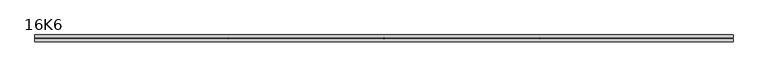
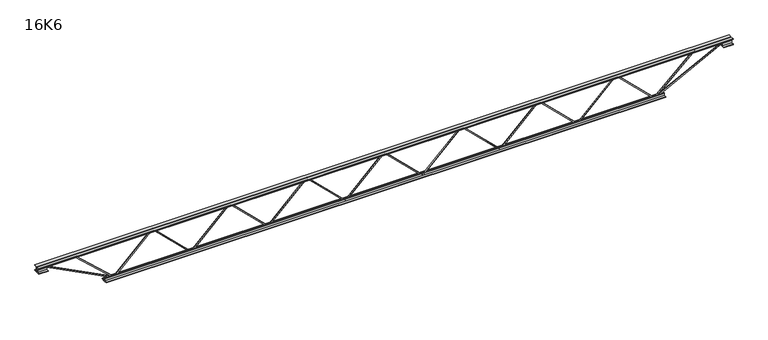
"""IFC4 building model written with IfcOpenShell, lengths in millimetres: beam geometry, 16K6."""

from ifc_helpers import new_model, si_unit, frame, origin, place, context, project, spatial, polyline, outline, extrude, source, transform, mapped, element, save


def beam_16k6_102b434a(model_context):
    return source(origin(), model_context, "Body", "SweptSolid", [
        extrude(outline(polyline([(-191.9, 1227.7380952), (-201.4, 1227.7380952), (-201.4, 1232.8467773), (191.9, 1635.8539201), (191.9, 1638.3365561), (-201.4, 2041.3436989), (-201.4, 2046.452381), (-191.9, 2046.452381), (-191.9, 2045.211063), (201.4, 1642.2039201), (201.4, 1631.9865561), (-191.9, 1228.9794132), (-191.9, 1227.7380952)])), frame((0.0, -4.75, 0.0), z_axis=(0.0, 1.0, 0.0), x_axis=(0.0, 0.0, 1.0)), (0.0, 0.0, 1.0), 9.5),
        extrude(outline(polyline([(-191.9, 409.1904762), (-201.4, 409.1904762), (-201.4, 414.2991582), (191.9, 817.3063011), (191.9, 819.788937), (-201.4, 1222.7960799), (-201.4, 1227.9047619), (-191.9, 1227.9047619), (-191.9, 1226.6634439), (201.4, 823.6563011), (201.4, 813.438937), (-191.9, 410.4317942), (-191.9, 409.1904762)])), frame((0.0, -4.75, 0.0), z_axis=(0.0, 1.0, 0.0), x_axis=(0.0, 0.0, 1.0)), (0.0, 0.0, 1.0), 9.5),
        extrude(outline(polyline([(-191.9, -409.3571429), (-201.4, -409.3571429), (-201.4, -404.2484608), (191.9, -1.241318), (191.9, 1.241318), (-201.4, 404.2484608), (-201.4, 409.3571429), (-191.9, 409.3571429), (-191.9, 408.1158249), (201.4, 5.108682), (201.4, -5.108682), (-191.9, -408.1158249), (-191.9, -409.3571429)])), frame((0.0, -4.75, 0.0), z_axis=(0.0, 1.0, 0.0), x_axis=(0.0, 0.0, 1.0)), (0.0, 0.0, 1.0), 9.5),
        extrude(outline(polyline([(-191.9, -1227.9047619), (-201.4, -1227.9047619), (-201.4, -1222.7960799), (191.9, -819.788937), (191.9, -817.3063011), (-201.4, -414.2991582), (-201.4, -409.1904762), (-191.9, -409.1904762), (-191.9, -410.4317942), (201.4, -813.438937), (201.4, -823.6563011), (-191.9, -1226.6634439), (-191.9, -1227.9047619)])), frame((0.0, -4.75, 0.0), z_axis=(0.0, 1.0, 0.0), x_axis=(0.0, 0.0, 1.0)), (0.0, 0.0, 1.0), 9.5),
        extrude(outline(polyline([(-191.9, -2046.452381), (-201.4, -2046.452381), (-201.4, -2041.3436989), (191.9, -1638.3365561), (191.9, -1635.8539201), (-201.4, -1232.8467773), (-201.4, -1227.7380952), (-191.9, -1227.7380952), (-191.9, -1228.9794132), (201.4, -1631.9865561), (201.4, -1642.2039201), (-191.9, -2045.211063), (-191.9, -2046.452381)])), frame((0.0, -4.75, 0.0), z_axis=(0.0, 1.0, 0.0), x_axis=(0.0, 0.0, 1.0)), (0.0, 0.0, 1.0), 9.5),
        extrude(outline(polyline([(-191.9, 2046.2857143), (-201.4, 2046.2857143), (-201.4, 2051.3943963), (191.9, 2454.4015392), (191.9, 2456.8841751), (-201.4, 2859.891318), (-201.4, 2865.0), (-191.9, 2865.0), (-191.9, 2863.758682), (201.4, 2460.7515392), (201.4, 2450.5341751), (-191.9, 2047.5270322), (-191.9, 2046.2857143)])), frame((0.0, -4.75, 0.0), z_axis=(0.0, 1.0, 0.0), x_axis=(0.0, 0.0, 1.0)), (0.0, 0.0, 1.0), 9.5),
        extrude(outline(polyline([(-191.9, -2865.0), (-201.4, -2865.0), (-201.4, -2859.891318), (191.9, -2456.8841751), (191.9, -2454.4015392), (-201.4, -2051.3943963), (-201.4, -2046.2857143), (-191.9, -2046.2857143), (-191.9, -2047.5270322), (201.4, -2450.5341751), (201.4, -2460.7515392), (-191.9, -2863.758682), (-191.9, -2865.0)])), frame((0.0, -4.75, 0.0), z_axis=(0.0, 1.0, 0.0), x_axis=(0.0, 0.0, 1.0)), (0.0, 0.0, 1.0), 9.5),
        extrude(outline(polyline([(4.75, 203.0), (36.75, 203.0), (36.75, 196.5), (11.25, 196.5), (11.25, 171.0), (4.75, 171.0), (4.75, 203.0)])), frame((-3677.0, 0.0, 0.0), z_axis=(1.0, 0.0, 0.0), x_axis=(0.0, 1.0, 0.0)), (0.0, 0.0, 1.0), 7354.0),
        extrude(outline(polyline([(-4.75, 203.0), (-4.75, 171.0), (-11.25, 171.0), (-11.25, 196.5), (-36.75, 196.5), (-36.75, 203.0), (-4.75, 203.0)])), frame((-3677.0, 0.0, 0.0), z_axis=(1.0, 0.0, 0.0), x_axis=(0.0, 1.0, 0.0)), (0.0, 0.0, 1.0), 7354.0),
        extrude(outline(polyline([(-4.75, 139.5), (-36.75, 139.5), (-36.75, 146.0), (-11.25, 146.0), (-11.25, 171.0), (-4.75, 171.0), (-4.75, 139.5)])), frame((-3677.0, 0.0, 0.0), z_axis=(1.0, 0.0, 0.0), x_axis=(0.0, 1.0, 0.0)), (0.0, 0.0, 1.0), 100.0),
        extrude(outline(polyline([(36.75, 139.5), (4.75, 139.5), (4.75, 171.0), (11.25, 171.0), (11.25, 146.0), (36.75, 146.0), (36.75, 139.5)])), frame((-3677.0, 0.0, 0.0), z_axis=(1.0, 0.0, 0.0), x_axis=(0.0, 1.0, 0.0)), (0.0, 0.0, 1.0), 100.0),
        extrude(outline(polyline([(4.75, 139.5), (4.75, 171.0), (11.25, 171.0), (11.25, 146.0), (36.75, 146.0), (36.75, 139.5), (4.75, 139.5)])), frame((3577.0, 0.0, 0.0), z_axis=(1.0, 0.0, 0.0), x_axis=(0.0, 1.0, 0.0)), (0.0, 0.0, 1.0), 100.0),
        extrude(outline(polyline([(-4.75, 139.5), (-36.75, 139.5), (-36.75, 146.0), (-11.25, 146.0), (-11.25, 171.0), (-4.75, 171.0), (-4.75, 139.5)])), frame((3577.0, 0.0, 0.0), z_axis=(1.0, 0.0, 0.0), x_axis=(0.0, 1.0, 0.0)), (0.0, 0.0, 1.0), 100.0),
        extrude(outline(polyline([(4.75, -203.0), (4.75, -171.0), (11.25, -171.0), (11.25, -196.5), (36.75, -196.5), (36.75, -203.0), (4.75, -203.0)])), frame((-2965.0, 0.0, 0.0), z_axis=(1.0, 0.0, 0.0), x_axis=(0.0, 1.0, 0.0)), (0.0, 0.0, 1.0), 5930.0),
        extrude(outline(polyline([(-4.75, -203.0), (-36.75, -203.0), (-36.75, -196.5), (-11.25, -196.5), (-11.25, -171.0), (-4.75, -171.0), (-4.75, -203.0)])), frame((-2965.0, 0.0, 0.0), z_axis=(1.0, 0.0, 0.0), x_axis=(0.0, 1.0, 0.0)), (0.0, 0.0, 1.0), 5930.0),
        extrude(outline(polyline([(-200.8705467, -2867.1793315), (-192.4294533, -2862.8206685), (175.75, -3575.8460208), (175.75, -3677.0), (166.25, -3677.0), (166.25, -3578.1539792), (-200.8705467, -2867.1793315)])), frame((0.0, -4.75, 0.0), z_axis=(0.0, 1.0, 0.0), x_axis=(0.0, 0.0, 1.0)), (0.0, 0.0, 1.0), 9.5),
        extrude(outline(polyline([(188.7, -3294.3142857), (179.2, -3294.3142857), (179.2, -3283.4573289), (-200.156913, -2868.2037574), (-193.143087, -2861.7962426), (188.7, -3279.7712425), (188.7, -3294.3142857)])), frame((0.0, -4.75, 0.0), z_axis=(0.0, 1.0, 0.0), x_axis=(0.0, 0.0, 1.0)), (0.0, 0.0, 1.0), 9.5),
        extrude(outline(polyline([(0.0, -9.5), (0.0, 0.0), (801.3179909, 0.0), (801.3179909, -9.5), (0.0, -9.5)])), frame((3579.1793315, -4.75, 166.7794533), z_axis=(-0.458806621324497, 0.0, 0.8885361468329803), x_axis=(-0.8885361468329803, 0.0, -0.458806621324497)), (0.0, 0.0, 1.0), 9.5),
        extrude(outline(polyline([(0.0, -9.5), (0.0, 0.0), (578.2316819, 0.0), (578.2316819, -9.5), (0.0, -9.5)])), frame((3292.1022702, -4.75, 193.1680232), z_axis=(-0.6801771890190467, 0.0, 0.7330477416499884), x_axis=(-0.7330477416499884, 0.0, -0.6801771890190467)), (0.0, 0.0, 1.0), 9.5),
    ])


if __name__ == "__main__":
    model = new_model("IFC4")
    model_context = context("Model", 3, world=origin())
    ifc_project = project(units=[si_unit("LENGTHUNIT", "METRE", prefix="MILLI")], contexts=[model_context])
    site = spatial("IfcSite", under=ifc_project)
    building = spatial("IfcBuilding", under=site)
    placement = place(None, origin())
    beam_16k6_shape = beam_16k6_102b434a(model_context)
    element("IfcBeam", 1, ObjectType="16K6", at=placement, inside=building, context=model_context, shape_type="MappedRepresentation", body=[
        mapped(beam_16k6_shape, transform((0.0, 0.0, 0.0), x_axis=(1.0, 0.0, 0.0), y_axis=(0.0, 1.0, 0.0), z_axis=(0.0, 0.0, 1.0))),
    ])
    save(model, "model.ifc")
